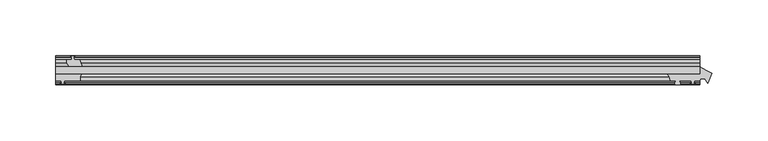
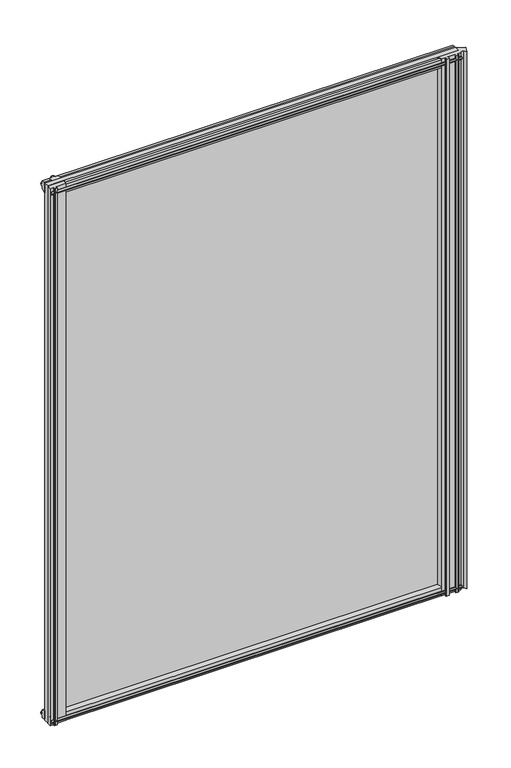
"""IFC4 building model written with IfcOpenShell, lengths in millimetres: plate geometry."""

from ifc_helpers import new_model, si_unit, point, frame, frame_2d, origin, place, context, project, spatial, polyline, circle_curve, trimmed, segment, composite_curve, outline, extrude, source, transform, mapped, element, save


def plate_86f20bcf(model_context):
    return source(origin(), model_context, "Body", "SweptSolid", [
        extrude(outline(polyline([(-311.15, -19.5460937), (267.3945313, -19.5460937), (267.3945313, -25.8960937), (-311.15, -25.8960937), (-311.15, -19.5460937)])), frame((0.0, 0.0, -12.7), z_axis=(0.0, 0.0, 1.0), x_axis=(1.0, 0.0, 0.0)), (0.0, 0.0, 1.0), 800.1),
        extrude(outline(composite_curve([segment(polyline([(237.6057169, -25.8960938), (267.4410747, -25.8960938), (267.4410747, -19.5460937)]), True, "CONTINUOUS"), segment(trimmed(circle_curve(frame_2d((296.6243476, 19.1383188)), 48.4576846), [point((267.4410747, -19.5460937))], [point((278.0733986, -25.6278457))], True, "CARTESIAN"), True, "CONTINUOUS"), segment(polyline([(278.0733986, -25.6278457), (274.3855131, -34.5272548), (271.9754518, -30.3775881), (268.2585763, -30.3775881), (267.4410747, -32.2460938), (262.3610747, -32.2460938), (262.0435747, -34.3506957), (263.2621806, -34.0241712), (263.2621806, -34.8393477), (261.0910747, -35.4210938), (258.9199688, -34.8393477), (258.9199688, -34.0241712), (260.1385747, -34.3506957), (259.8210747, -32.2460938), (249.4324747, -32.2460938)]), True, "CONTINUOUS"), segment(trimmed(circle_curve(frame_2d((249.4324747, -32.7032938)), 0.4572), [point((249.4324747, -32.2460938))], [point((249.0936568, -33.0102698))], True, "CARTESIAN"), True, "CONTINUOUS"), segment(trimmed(circle_curve(frame_2d((247.3242747, -34.613367)), 2.3876), [point((249.0936568, -33.0102698))], [point((249.3949177, -35.8020937))], False, "CARTESIAN"), True, "CONTINUOUS"), segment(polyline([(249.3949177, -35.8020937), (245.2536317, -35.8020938)]), True, "CONTINUOUS"), segment(trimmed(circle_curve(frame_2d((247.3242747, -34.613367)), 2.3876), [point((245.2536317, -35.8020938))], [point((245.5548925, -33.0102698))], False, "CARTESIAN"), True, "CONTINUOUS"), segment(trimmed(circle_curve(frame_2d((245.2160747, -32.7032938)), 0.4572), [point((245.5548925, -33.0102698))], [point((245.2160747, -32.2460938))], True, "CARTESIAN"), True, "CONTINUOUS"), segment(polyline([(245.2160747, -32.2460938), (240.9742747, -32.2460938)]), True, "CONTINUOUS"), segment(trimmed(circle_curve(frame_2d((229.9374273, -34.0324587)), 11.1804786), [point((240.9742747, -32.2460938))], [point((237.6057169, -25.8960938))], True, "CARTESIAN"), True, "CONTINUOUS")], self_intersect=False)), frame((0.0, 0.0, -12.7), z_axis=(0.0, 0.0, 1.0), x_axis=(1.0, 0.0, 0.0)), (0.0, 0.0, 1.0), 800.1),
        extrude(outline(composite_curve([segment(polyline([(-311.1542854, -32.2460937), (-311.1542854, -25.8960937), (-287.8322351, -25.8960937)]), True, "CONTINUOUS"), segment(trimmed(circle_curve(frame_2d((-280.043449, -30.5054843)), 9.0505066), [point((-287.8322351, -25.8960937))], [point((-288.925, -32.2460937))], True, "CARTESIAN"), True, "CONTINUOUS"), segment(polyline([(-288.925, -32.2460937), (-303.5342854, -32.2460937), (-303.8517854, -34.3506957), (-302.6331795, -34.0241712), (-302.4293854, -34.7847412), (-304.8042854, -35.4210937), (-307.1791854, -34.7847412), (-306.9753913, -34.0241712), (-305.7567854, -34.3506957), (-306.0742854, -32.2460937), (-311.1542854, -32.2460937)]), True, "CONTINUOUS")], self_intersect=False)), frame((0.0, 0.0, -12.7), z_axis=(0.0, 0.0, 1.0), x_axis=(1.0, 0.0, 0.0)), (0.0, 0.0, 1.0), 800.1),
        extrude(outline(polyline([(-296.5577, -10.8158968), (-297.973229, -11.27583), (-297.973229, -10.4746158), (-295.7957, -9.7670937), (-293.6181709, -10.4746158), (-293.6181709, -11.27583), (-295.0337, -10.8158968), (-294.6527, -13.1960937), (-289.4457, -13.1960937), (-287.3404229, -19.5460937), (-299.1710038, -19.5460937), (-301.3837, -16.1424937), (-301.3837, -13.1960937), (-296.9387, -13.1960937), (-296.5577, -10.8158968)])), frame((0.0, 0.0, -12.7), z_axis=(0.0, 0.0, 1.0), x_axis=(1.0, 0.0, 0.0)), (0.0, 0.0, 1.0), 800.1),
        extrude(outline(polyline([(-13.1960937, 787.1587), (-13.1960937, 782.7137), (-10.8158968, 782.3327), (-11.27583, 783.7482291), (-10.4746158, 783.7482291), (-9.7670937, 781.5707), (-10.4746158, 779.393171), (-11.27583, 779.393171), (-10.8158968, 780.8087), (-13.1960937, 780.4277), (-13.1960937, 775.2207), (-19.5460937, 773.115423), (-19.5460937, 784.9460038), (-16.1424937, 787.1587), (-13.1960937, 787.1587)])), frame((-311.15, 0.0, 0.0), z_axis=(1.0, 0.0, 0.0), x_axis=(0.0, 1.0, 0.0)), (0.0, 0.0, 1.0), 578.5445313),
        extrude(outline(polyline([(-29.2996937, 786.638), (-25.8960937, 784.4253038), (-25.8960937, 772.594723), (-32.2460937, 774.7), (-32.2460937, 779.907), (-34.6262907, 780.288), (-34.1663575, 778.872471), (-34.9675717, 778.872471), (-35.6750937, 781.05), (-34.9675717, 783.2275291), (-34.1663575, 783.2275291), (-34.6262907, 781.812), (-32.2460937, 782.193), (-32.2460937, 786.638), (-29.2996937, 786.638)])), frame((-311.15, 0.0, 0.0), z_axis=(1.0, 0.0, 0.0), x_axis=(0.0, 1.0, 0.0)), (0.0, 0.0, 1.0), 578.5445313),
        extrude(outline(polyline([(-25.8960937, 2.1052771), (-25.8960937, -9.7253038), (-29.2996937, -11.938), (-32.2460937, -11.938), (-32.2460937, -7.493), (-34.6262907, -7.112), (-34.1663575, -8.5275291), (-34.9675717, -8.5275291), (-35.6750937, -6.35), (-34.9675717, -4.1724709), (-34.1663575, -4.1724709), (-34.6262907, -5.588), (-32.2460937, -5.207), (-32.2460937, 0.0), (-25.8960937, 2.1052771)])), frame((-311.15, 0.0, 0.0), z_axis=(1.0, 0.0, 0.0), x_axis=(0.0, 1.0, 0.0)), (0.0, 0.0, 1.0), 578.5445313),
        extrude(outline(polyline([(-19.5460937, 1.5845771), (-13.1960937, -0.5207), (-13.1960937, -5.7277), (-10.8158968, -6.1087), (-11.27583, -4.6931709), (-10.4746158, -4.6931709), (-9.7670937, -6.8707), (-10.4746158, -9.048229), (-11.27583, -9.048229), (-10.8158968, -7.6327), (-13.1960937, -8.0137), (-13.1960937, -12.4587), (-16.1424937, -12.4587), (-19.5460937, -10.2460038), (-19.5460937, 1.5845771)])), frame((-311.15, 0.0, 0.0), z_axis=(1.0, 0.0, 0.0), x_axis=(0.0, 1.0, 0.0)), (0.0, 0.0, 1.0), 578.5445313),
    ])


if __name__ == "__main__":
    model = new_model("IFC4")
    model_context = context("Model", 3, world=origin())
    ifc_project = project(units=[si_unit("LENGTHUNIT", "METRE", prefix="MILLI")], contexts=[model_context])
    site = spatial("IfcSite", under=ifc_project)
    building = spatial("IfcBuilding", under=site)
    placement = place(None, origin())
    plate_shape = plate_86f20bcf(model_context)
    element("IfcPlate", 1, at=placement, inside=building, context=model_context, shape_type="MappedRepresentation", body=[
        mapped(plate_shape, transform((0.0, 0.0, 0.0), x_axis=(1.0, 0.0, 0.0), y_axis=(0.0, 1.0, 0.0), z_axis=(0.0, 0.0, 1.0))),
    ])
    save(model, "model.ifc")
